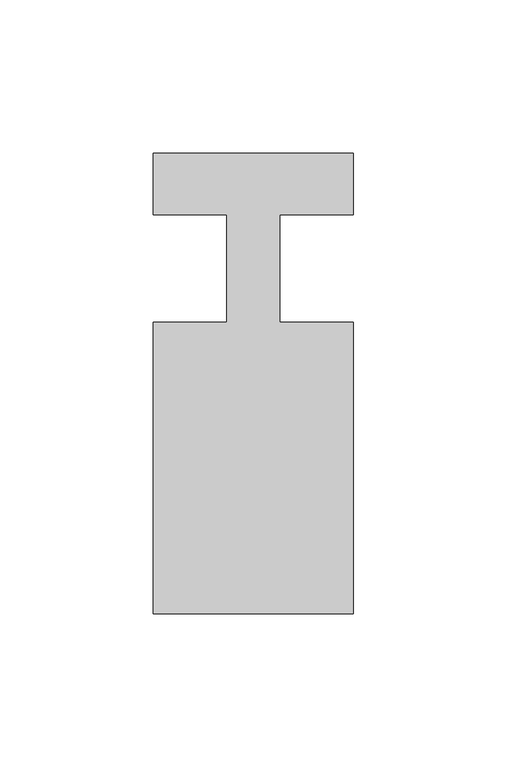
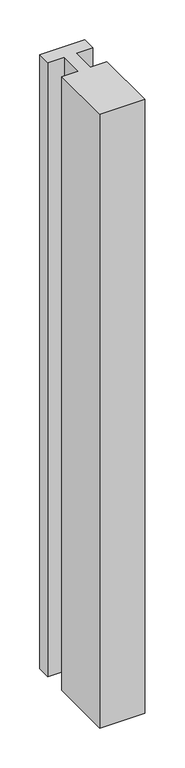
"""IFC4 building model written with IfcOpenShell, lengths in millimetres: member geometry."""

import ifcopenshell
import ifcopenshell.guid

model = None  # the IFC model being written
_history = None  # IfcOwnerHistory: only IFC2X3 demands one
_inside = {}  # id of a spatial element -> (the spatial element, [elements in it])
_under = {}  # id of a project, library or spatial element -> (it, [spatial elements below it])
_declared = {}  # id of a project -> (the project, [libraries it declares])
_typed = {}  # id of a type object -> (the type object, [elements of that type])
_made_of = {}  # id of a material, layer set ... -> (it, [elements and type objects made of it])


def new_model(schema):
    """Start an empty IFC model of exactly this schema.

    Asked for "IFC4X3", IfcOpenShell would pick the latest addendum, in which some entities
    have other attributes; the version numbers below select the first issue.
    IFC2X3 requires an IfcOwnerHistory on every rooted entity: one is made here for all.
    """
    global model, _history
    if schema == "IFC4X3":
        model = ifcopenshell.file(schema_version=(4, 3, 0, 0))
    else:
        model = ifcopenshell.file(schema=schema)
    _inside.clear()
    _under.clear()
    _declared.clear()
    _typed.clear()
    _made_of.clear()
    _history = None
    if model.schema == "IFC2X3":
        org = make("IfcOrganization", Name="unknown")
        user = make(
            "IfcPersonAndOrganization",
            ThePerson=make("IfcPerson", FamilyName="unknown"),
            TheOrganization=org,
        )
        app = make(
            "IfcApplication",
            ApplicationDeveloper=org,
            Version="unknown",
            ApplicationFullName="unknown",
            ApplicationIdentifier="unknown",
        )
        _history = make(
            "IfcOwnerHistory",
            OwningUser=user,
            OwningApplication=app,
            ChangeAction="ADDED",
            CreationDate=0,
        )
    return model


def make(cls, **values):
    """One entity of the class cls with the attributes given. An attribute that is None is left unset."""
    return model.create_entity(
        cls, **{name: value for name, value in values.items() if value is not None}
    )


def rooted(cls, **values):
    """An entity with a GlobalId (a new one), such as an element, a storey or a relation."""
    return make(cls, GlobalId=ifcopenshell.guid.new(), OwnerHistory=_history, **values)


def si_unit(unit_type, name, prefix=None):
    """IfcSIUnit, for example si_unit("LENGTHUNIT", "METRE", prefix="MILLI")."""
    return make("IfcSIUnit", UnitType=unit_type, Prefix=prefix, Name=name)


def assignment(units):
    """IfcUnitAssignment: the units of a project."""
    return None if units is None else make("IfcUnitAssignment", Units=units)


def point(xyz):
    """IfcCartesianPoint."""
    return None if xyz is None else make("IfcCartesianPoint", Coordinates=xyz)


def direction(xyz):
    """IfcDirection."""
    return None if xyz is None else make("IfcDirection", DirectionRatios=xyz)


def frame(location, z_axis=None, x_axis=None):
    """IfcAxis2Placement3D, a coordinate frame: its origin and axes. An axis left out is left unset."""
    return make(
        "IfcAxis2Placement3D",
        Location=point(location),
        Axis=direction(z_axis),
        RefDirection=direction(x_axis),
    )


def origin():
    """The frame at (0, 0, 0) with its axes left unset."""
    return frame((0.0, 0.0, 0.0))


def place(relative_to, where):
    """IfcLocalPlacement: puts the frame where relative to a parent placement (None: the world)."""
    return make(
        "IfcLocalPlacement", PlacementRelTo=relative_to, RelativePlacement=where
    )


def context(
    kind, dimensions, precision=None, world=None, true_north=None, identifier=None
):
    """IfcGeometricRepresentationContext, for example the 3D "Model" context."""
    return make(
        "IfcGeometricRepresentationContext",
        ContextIdentifier=identifier,
        ContextType=kind,
        CoordinateSpaceDimension=dimensions,
        Precision=precision,
        WorldCoordinateSystem=world,
        TrueNorth=true_north,
    )


def project(units=None, contexts=None):
    """IfcProject with its units and contexts."""
    return rooted(
        "IfcProject",
        Name="project",
        RepresentationContexts=contexts,
        UnitsInContext=assignment(units),
    )


def spatial(cls, under=None, at=None, **own):
    """A site, building, storey or space (cls), placed at a placement, below another one or the project."""
    s = rooted(cls, ObjectPlacement=at, **own)
    if under is not None:
        _under.setdefault(under.id(), (under, []))[1].append(s)
    return s


def polyline(points):
    """IfcPolyline through the points."""
    return make("IfcPolyline", Points=[point(p) for p in points])


def outline(outer, holes=None, kind="AREA"):
    """IfcArbitraryClosedProfileDef: a profile drawn as a closed curve; with holes, ...WithVoids."""
    if holes is None:
        return make("IfcArbitraryClosedProfileDef", ProfileType=kind, OuterCurve=outer)
    return make(
        "IfcArbitraryProfileDefWithVoids",
        ProfileType=kind,
        OuterCurve=outer,
        InnerCurves=holes,
    )


def extrude(swept, where, along, depth):
    """IfcExtrudedAreaSolid: the profile swept, set in the frame where, extruded along a direction by depth."""
    return make(
        "IfcExtrudedAreaSolid",
        SweptArea=swept,
        Position=where,
        ExtrudedDirection=direction(along),
        Depth=depth,
    )


def shape(context_of_items, identifier, shape_type, items):
    """IfcShapeRepresentation: the items that make up one representation, for example the "Body"."""
    return make(
        "IfcShapeRepresentation",
        ContextOfItems=context_of_items,
        RepresentationIdentifier=identifier,
        RepresentationType=shape_type,
        Items=items,
    )


def source(mapping_origin, context_of_items, identifier, shape_type, items):
    """IfcRepresentationMap: a shape defined once, which mapped items show again and again."""
    return make(
        "IfcRepresentationMap",
        MappingOrigin=mapping_origin,
        MappedRepresentation=shape(context_of_items, identifier, shape_type, items),
    )


def transform(
    local_origin,
    x_axis=None,
    y_axis=None,
    z_axis=None,
    scale=None,
    scale2=None,
    scale3=None,
    uniform=True,
):
    """IfcCartesianTransformationOperator3D, or its non-uniform kind. x_axis, y_axis, z_axis: its Axis1, 2, 3."""
    if uniform:
        return make(
            "IfcCartesianTransformationOperator3D",
            Axis1=direction(x_axis),
            Axis2=direction(y_axis),
            LocalOrigin=point(local_origin),
            Scale=scale,
            Axis3=direction(z_axis),
        )
    return make(
        "IfcCartesianTransformationOperator3DnonUniform",
        Axis1=direction(x_axis),
        Axis2=direction(y_axis),
        LocalOrigin=point(local_origin),
        Scale=scale,
        Axis3=direction(z_axis),
        Scale2=scale2,
        Scale3=scale3,
    )


def mapped(mapping_source, mapping_target):
    """IfcMappedItem: shows the shape of a source again, moved by a transform."""
    return make(
        "IfcMappedItem", MappingSource=mapping_source, MappingTarget=mapping_target
    )


def made_of(thing, what):
    """Note that an element or type object is made of a material, layer set ...; save() writes the relation."""
    if what is not None:
        _made_of.setdefault(what.id(), (what, []))[1].append(thing)
    return thing


def element(
    cls,
    number,
    at=None,
    inside=None,
    cuts=None,
    type_object=None,
    material=None,
    context=None,
    identifier="Body",
    shape_type=None,
    held_by="IfcProductDefinitionShape",
    body=None,
    shapes=None,
    **own,
):
    """One element of the class cls, such as IfcWall. Its Tag is "e" and its number.

    at: its placement. inside: the storey or other place that contains it. cuts: it is an
    opening in that element (IfcRelVoidsElement). A single representation is given by context,
    identifier, shape_type and body (its items); several are given by shapes. held_by: the class
    of the entity that holds the representations. save() writes the other relations.
    """
    e = rooted(cls, Tag="e%d" % number, ObjectPlacement=at, **own)
    if body is not None:
        shapes = [shape(context, identifier, shape_type, body)]
    if shapes is not None:
        e.Representation = make(held_by, Representations=shapes)
    if inside is not None:
        _inside.setdefault(inside.id(), (inside, []))[1].append(e)
    if cuts is not None:
        rooted(
            "IfcRelVoidsElement", RelatingBuildingElement=cuts, RelatedOpeningElement=e
        )
    if type_object is not None:
        _typed.setdefault(type_object.id(), (type_object, []))[1].append(e)
    return made_of(e, material)


def aggregate(whole, parts):
    """IfcRelAggregates: a whole, such as a stair, and the parts it consists of."""
    return rooted("IfcRelAggregates", RelatingObject=whole, RelatedObjects=parts)


def save(model, path):
    """Write the relations noted so far, then the file.

    IfcRelAggregates (storeys below a building ...), IfcRelContainedInSpatialStructure (elements
    in a storey), IfcRelDefinesByType, IfcRelAssociatesMaterial and IfcRelDeclares: one each for
    every whole, place, type object, material and project.
    """
    for whole, parts in _under.values():
        aggregate(whole, parts)
    for where, things in _inside.values():
        rooted(
            "IfcRelContainedInSpatialStructure",
            RelatedElements=things,
            RelatingStructure=where,
        )
    for kind, things in _typed.values():
        rooted("IfcRelDefinesByType", RelatedObjects=things, RelatingType=kind)
    for what, things in _made_of.values():
        rooted("IfcRelAssociatesMaterial", RelatedObjects=things, RelatingMaterial=what)
    for by, libraries in _declared.values():
        rooted("IfcRelDeclares", RelatingContext=by, RelatedDefinitions=libraries)
    model.write(path)


def member_04de0224(model_context):
    return source(origin(), model_context, "Body", "SweptSolid", [
        extrude(outline(polyline([(0.0, 37.0), (0.0, 17.0), (-23.8125, 17.0), (-23.8125, -18.0), (0.0, -18.0), (0.0, -113.0), (-65.0, -113.0), (-65.0, -18.0), (-41.1875, -18.0), (-41.1875, 17.0), (-65.0, 17.0), (-65.0, 37.0), (0.0, 37.0)])), frame((0.0, 0.0, -939.1666667), z_axis=(0.0, 0.0, 1.0), x_axis=(1.0, 0.0, 0.0)), (0.0, 0.0, 1.0), 939.1666667),
    ])


if __name__ == "__main__":
    model = new_model("IFC4")
    model_context = context("Model", 3, world=origin())
    ifc_project = project(units=[si_unit("LENGTHUNIT", "METRE", prefix="MILLI")], contexts=[model_context])
    site = spatial("IfcSite", under=ifc_project)
    building = spatial("IfcBuilding", under=site)
    placement = place(None, origin())
    member_shape = member_04de0224(model_context)
    element("IfcMember", 1, at=placement, inside=building, context=model_context, shape_type="MappedRepresentation", body=[
        mapped(member_shape, transform((0.0, 0.0, 0.0), x_axis=(1.0, 0.0, 0.0), y_axis=(0.0, 1.0, 0.0), z_axis=(0.0, 0.0, 1.0))),
    ])
    save(model, "model.ifc")
